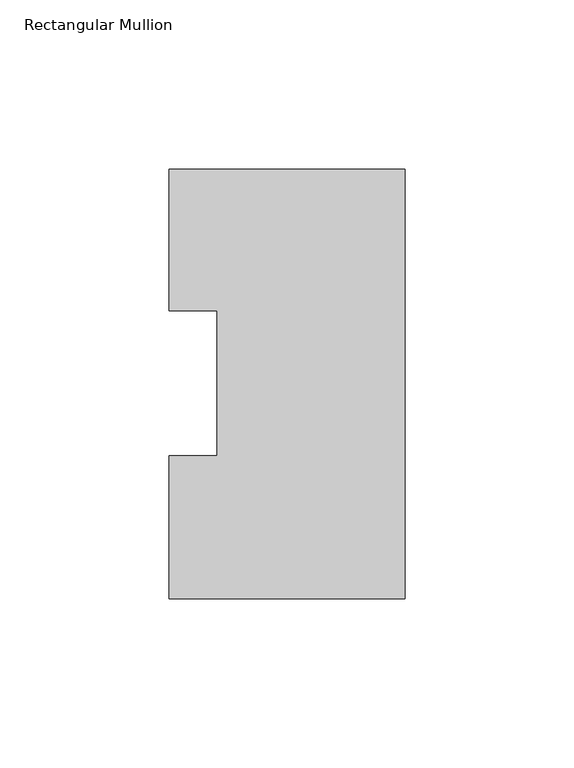
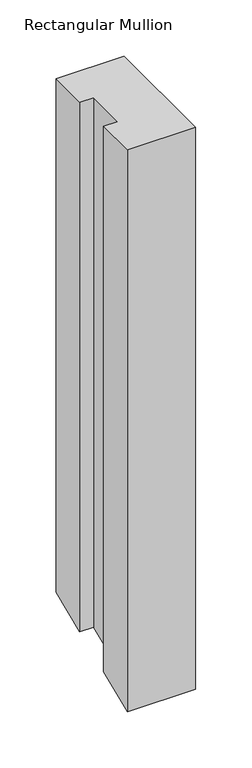
"""IFC4 building model written with IfcOpenShell, lengths in millimetres: member geometry, Rectangular Mullion."""

import ifcopenshell
import ifcopenshell.guid

model = None  # the IFC model being written
_history = None  # IfcOwnerHistory: only IFC2X3 demands one
_inside = {}  # id of a spatial element -> (the spatial element, [elements in it])
_under = {}  # id of a project, library or spatial element -> (it, [spatial elements below it])
_declared = {}  # id of a project -> (the project, [libraries it declares])
_typed = {}  # id of a type object -> (the type object, [elements of that type])
_made_of = {}  # id of a material, layer set ... -> (it, [elements and type objects made of it])


def new_model(schema):
    """Start an empty IFC model of exactly this schema.

    Asked for "IFC4X3", IfcOpenShell would pick the latest addendum, in which some entities
    have other attributes; the version numbers below select the first issue.
    IFC2X3 requires an IfcOwnerHistory on every rooted entity: one is made here for all.
    """
    global model, _history
    if schema == "IFC4X3":
        model = ifcopenshell.file(schema_version=(4, 3, 0, 0))
    else:
        model = ifcopenshell.file(schema=schema)
    _inside.clear()
    _under.clear()
    _declared.clear()
    _typed.clear()
    _made_of.clear()
    _history = None
    if model.schema == "IFC2X3":
        org = make("IfcOrganization", Name="unknown")
        user = make(
            "IfcPersonAndOrganization",
            ThePerson=make("IfcPerson", FamilyName="unknown"),
            TheOrganization=org,
        )
        app = make(
            "IfcApplication",
            ApplicationDeveloper=org,
            Version="unknown",
            ApplicationFullName="unknown",
            ApplicationIdentifier="unknown",
        )
        _history = make(
            "IfcOwnerHistory",
            OwningUser=user,
            OwningApplication=app,
            ChangeAction="ADDED",
            CreationDate=0,
        )
    return model


def make(cls, **values):
    """One entity of the class cls with the attributes given. An attribute that is None is left unset."""
    return model.create_entity(
        cls, **{name: value for name, value in values.items() if value is not None}
    )


def rooted(cls, **values):
    """An entity with a GlobalId (a new one), such as an element, a storey or a relation."""
    return make(cls, GlobalId=ifcopenshell.guid.new(), OwnerHistory=_history, **values)


def si_unit(unit_type, name, prefix=None):
    """IfcSIUnit, for example si_unit("LENGTHUNIT", "METRE", prefix="MILLI")."""
    return make("IfcSIUnit", UnitType=unit_type, Prefix=prefix, Name=name)


def assignment(units):
    """IfcUnitAssignment: the units of a project."""
    return None if units is None else make("IfcUnitAssignment", Units=units)


def point(xyz):
    """IfcCartesianPoint."""
    return None if xyz is None else make("IfcCartesianPoint", Coordinates=xyz)


def direction(xyz):
    """IfcDirection."""
    return None if xyz is None else make("IfcDirection", DirectionRatios=xyz)


def frame(location, z_axis=None, x_axis=None):
    """IfcAxis2Placement3D, a coordinate frame: its origin and axes. An axis left out is left unset."""
    return make(
        "IfcAxis2Placement3D",
        Location=point(location),
        Axis=direction(z_axis),
        RefDirection=direction(x_axis),
    )


def origin():
    """The frame at (0, 0, 0) with its axes left unset."""
    return frame((0.0, 0.0, 0.0))


def place(relative_to, where):
    """IfcLocalPlacement: puts the frame where relative to a parent placement (None: the world)."""
    return make(
        "IfcLocalPlacement", PlacementRelTo=relative_to, RelativePlacement=where
    )


def context(
    kind, dimensions, precision=None, world=None, true_north=None, identifier=None
):
    """IfcGeometricRepresentationContext, for example the 3D "Model" context."""
    return make(
        "IfcGeometricRepresentationContext",
        ContextIdentifier=identifier,
        ContextType=kind,
        CoordinateSpaceDimension=dimensions,
        Precision=precision,
        WorldCoordinateSystem=world,
        TrueNorth=true_north,
    )


def project(units=None, contexts=None):
    """IfcProject with its units and contexts."""
    return rooted(
        "IfcProject",
        Name="project",
        RepresentationContexts=contexts,
        UnitsInContext=assignment(units),
    )


def spatial(cls, under=None, at=None, **own):
    """A site, building, storey or space (cls), placed at a placement, below another one or the project."""
    s = rooted(cls, ObjectPlacement=at, **own)
    if under is not None:
        _under.setdefault(under.id(), (under, []))[1].append(s)
    return s


def faces_of(points, faces, orient=None, outer=None):
    """IfcFace entities. A face is a list of loops; a loop is a list of indices into points, from 0.

    orient and outer hold one flag for each loop. By default every Orientation is true, the
    first loop of a face is its IfcFaceOuterBound and the others are IfcFaceBound.
    """
    made = []
    for i, loops in enumerate(faces):
        bounds = []
        for j, loop in enumerate(loops):
            is_outer = j == 0 if outer is None else outer[i][j]
            bounds.append(
                make(
                    "IfcFaceOuterBound" if is_outer else "IfcFaceBound",
                    Bound=make("IfcPolyLoop", Polygon=[points[k] for k in loop]),
                    Orientation=True if orient is None else orient[i][j],
                )
            )
        made.append(make("IfcFace", Bounds=bounds))
    return made


def faceted_brep(points, faces, orient=None, outer=None, voids=None):
    """IfcFacetedBrep: a solid bounded by flat faces; with voids (closed shells), ...WithVoids."""
    shared = [point(p) for p in points]
    hull = make("IfcClosedShell", CfsFaces=faces_of(shared, faces, orient, outer))
    if voids is None:
        return make("IfcFacetedBrep", Outer=hull)
    return make(
        "IfcFacetedBrepWithVoids",
        Outer=hull,
        Voids=[
            make(cls, CfsFaces=faces_of(shared, fs, o, b)) for cls, fs, o, b in voids
        ],
    )


def shape(context_of_items, identifier, shape_type, items):
    """IfcShapeRepresentation: the items that make up one representation, for example the "Body"."""
    return make(
        "IfcShapeRepresentation",
        ContextOfItems=context_of_items,
        RepresentationIdentifier=identifier,
        RepresentationType=shape_type,
        Items=items,
    )


def source(mapping_origin, context_of_items, identifier, shape_type, items):
    """IfcRepresentationMap: a shape defined once, which mapped items show again and again."""
    return make(
        "IfcRepresentationMap",
        MappingOrigin=mapping_origin,
        MappedRepresentation=shape(context_of_items, identifier, shape_type, items),
    )


def transform(
    local_origin,
    x_axis=None,
    y_axis=None,
    z_axis=None,
    scale=None,
    scale2=None,
    scale3=None,
    uniform=True,
):
    """IfcCartesianTransformationOperator3D, or its non-uniform kind. x_axis, y_axis, z_axis: its Axis1, 2, 3."""
    if uniform:
        return make(
            "IfcCartesianTransformationOperator3D",
            Axis1=direction(x_axis),
            Axis2=direction(y_axis),
            LocalOrigin=point(local_origin),
            Scale=scale,
            Axis3=direction(z_axis),
        )
    return make(
        "IfcCartesianTransformationOperator3DnonUniform",
        Axis1=direction(x_axis),
        Axis2=direction(y_axis),
        LocalOrigin=point(local_origin),
        Scale=scale,
        Axis3=direction(z_axis),
        Scale2=scale2,
        Scale3=scale3,
    )


def mapped(mapping_source, mapping_target):
    """IfcMappedItem: shows the shape of a source again, moved by a transform."""
    return make(
        "IfcMappedItem", MappingSource=mapping_source, MappingTarget=mapping_target
    )


def made_of(thing, what):
    """Note that an element or type object is made of a material, layer set ...; save() writes the relation."""
    if what is not None:
        _made_of.setdefault(what.id(), (what, []))[1].append(thing)
    return thing


def element(
    cls,
    number,
    at=None,
    inside=None,
    cuts=None,
    type_object=None,
    material=None,
    context=None,
    identifier="Body",
    shape_type=None,
    held_by="IfcProductDefinitionShape",
    body=None,
    shapes=None,
    **own,
):
    """One element of the class cls, such as IfcWall. Its Tag is "e" and its number.

    at: its placement. inside: the storey or other place that contains it. cuts: it is an
    opening in that element (IfcRelVoidsElement). A single representation is given by context,
    identifier, shape_type and body (its items); several are given by shapes. held_by: the class
    of the entity that holds the representations. save() writes the other relations.
    """
    e = rooted(cls, Tag="e%d" % number, ObjectPlacement=at, **own)
    if body is not None:
        shapes = [shape(context, identifier, shape_type, body)]
    if shapes is not None:
        e.Representation = make(held_by, Representations=shapes)
    if inside is not None:
        _inside.setdefault(inside.id(), (inside, []))[1].append(e)
    if cuts is not None:
        rooted(
            "IfcRelVoidsElement", RelatingBuildingElement=cuts, RelatedOpeningElement=e
        )
    if type_object is not None:
        _typed.setdefault(type_object.id(), (type_object, []))[1].append(e)
    return made_of(e, material)


def aggregate(whole, parts):
    """IfcRelAggregates: a whole, such as a stair, and the parts it consists of."""
    return rooted("IfcRelAggregates", RelatingObject=whole, RelatedObjects=parts)


def save(model, path):
    """Write the relations noted so far, then the file.

    IfcRelAggregates (storeys below a building ...), IfcRelContainedInSpatialStructure (elements
    in a storey), IfcRelDefinesByType, IfcRelAssociatesMaterial and IfcRelDeclares: one each for
    every whole, place, type object, material and project.
    """
    for whole, parts in _under.values():
        aggregate(whole, parts)
    for where, things in _inside.values():
        rooted(
            "IfcRelContainedInSpatialStructure",
            RelatedElements=things,
            RelatingStructure=where,
        )
    for kind, things in _typed.values():
        rooted("IfcRelDefinesByType", RelatedObjects=things, RelatingType=kind)
    for what, things in _made_of.values():
        rooted("IfcRelAssociatesMaterial", RelatedObjects=things, RelatingMaterial=what)
    for by, libraries in _declared.values():
        rooted("IfcRelDeclares", RelatingContext=by, RelatedDefinitions=libraries)
    model.write(path)


def rectangular_mullion_85ee1af6(model_context):
    return source(origin(), model_context, "Body", "Brep", [
        faceted_brep([(-69.8489149, 126.9888875, 0.0), (-69.8489149, 85.1296875, 0.0), (-55.5639549, 85.1296875, 0.0), (-55.5639549, 42.2798875, 0.0), (-69.8489149, 42.2798875, 0.0), (-69.8489149, -0.0111125, 0.0), (0.0, -0.0111125, 0.0), (0.0, 126.9888875, 0.0), (-69.8489149, 126.9888875, -556.9994805), (-69.8489149, 85.1296875, -574.3381289), (-55.5639549, 85.1296875, -574.3381289), (-55.5639549, 42.2798875, -592.0870972), (-69.8489149, 42.2798875, -592.0870972), (-69.8489149, -0.0111125, -609.6046029), (0.0, -0.0111125, -609.6046029), (0.0, 126.9888875, -556.9994805)], [[[0, 1, 2, 3, 4, 5, 6, 7]], [[1, 0, 8, 9]], [[2, 1, 9, 10]], [[3, 2, 10, 11]], [[4, 3, 11, 12]], [[5, 4, 12, 13]], [[6, 5, 13, 14]], [[7, 6, 14, 15]], [[0, 7, 15, 8]], [[8, 15, 14, 13, 12, 11, 10, 9]]]),
    ])


if __name__ == "__main__":
    model = new_model("IFC4")
    model_context = context("Model", 3, world=origin())
    ifc_project = project(units=[si_unit("LENGTHUNIT", "METRE", prefix="MILLI")], contexts=[model_context])
    site = spatial("IfcSite", under=ifc_project)
    building = spatial("IfcBuilding", under=site)
    placement = place(None, origin())
    rectangular_mullion_shape = rectangular_mullion_85ee1af6(model_context)
    element("IfcMember", 1, ObjectType="Rectangular Mullion", at=placement, inside=building, context=model_context, shape_type="MappedRepresentation", body=[
        mapped(rectangular_mullion_shape, transform((0.0, 0.0, 0.0), x_axis=(1.0, 0.0, 0.0), y_axis=(0.0, 1.0, 0.0), z_axis=(0.0, 0.0, 1.0))),
    ])
    save(model, "model.ifc")
